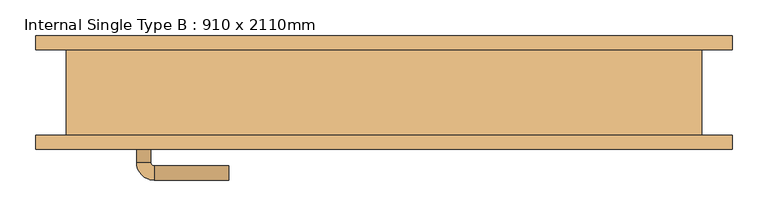
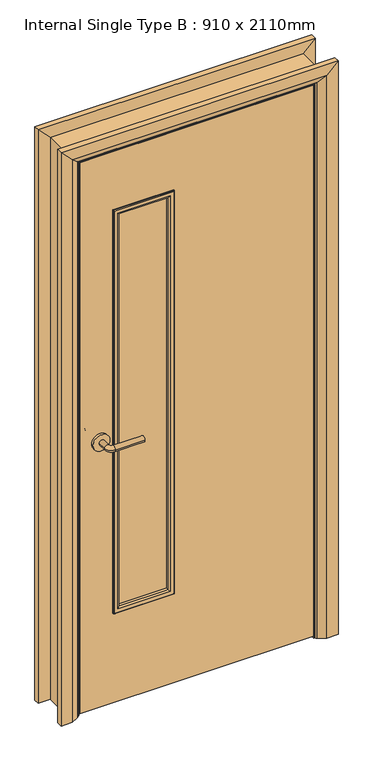
"""IFC4 building model written with IfcOpenShell, lengths in millimetres: door geometry, Internal Single Type B : 910 x 2110mm."""

from ifc_helpers import new_model, si_unit, point, frame, frame_2d, origin, place, context, project, spatial, polyline, circle_curve, ellipse_curve, trimmed, segment, composite_curve, outline, extrude, faceted_brep, source, transform, mapped, element, save
from ifc_brep_helpers import plane_surface, cylinder_surface, revolved_surface, advanced_brep


def internal_single_type_b_910_x_2110mm_6d8ee7a6(model_context):
    return source(origin(), model_context, "Body", "SolidModel", [
        advanced_brep(
        [(-348.0, -14.0, 1000.0), (-328.0, -14.0, 1000.0), (-348.0, 16.0, 1000.0), (-328.0, 16.0, 1000.0), (-323.0, 21.0, 1000.0), (-323.0, 41.0, 1000.0), (-218.0, 41.0, 1000.0), (-218.0, 21.0, 1000.0)],
        [
            (0, 1, circle_curve(frame((-338.0, -14.0, 1000.0), z_axis=(0.0, -1.0, 0.0), x_axis=(1.0, 0.0, 0.0)), 10.0)),
            (1, 0, circle_curve(frame((-338.0, -14.0, 1000.0), z_axis=(0.0, -1.0, 0.0), x_axis=(1.0, 0.0, 0.0)), 10.0)),
            (0, 2),
            (2, 3, circle_curve(frame((-338.0, 16.0, 1000.0), z_axis=(0.0, -1.0, 0.0), x_axis=(1.0, 0.0, 0.0)), 10.0)),
            (3, 1),
            (3, 2, circle_curve(frame((-338.0, 16.0, 1000.0), z_axis=(0.0, -1.0, 0.0), x_axis=(1.0, 0.0, 0.0)), 10.0)),
            (4, 3, circle_curve(frame((-323.0, 16.0, 1000.0), z_axis=(0.0, 0.0, 1.0), x_axis=(-1.0, 0.0, 0.0)), 5.0)),
            (2, 5, circle_curve(frame((-323.0, 16.0, 1000.0), z_axis=(0.0, 0.0, -1.0), x_axis=(-1.0, 0.0, 0.0)), 25.0)),
            (5, 4, circle_curve(frame((-323.0, 31.0, 1000.0), z_axis=(-1.0, 0.0, 0.0), x_axis=(0.0, -1.0, 0.0)), 10.0)),
            (4, 5, circle_curve(frame((-323.0, 31.0, 1000.0), z_axis=(-1.0, 0.0, 0.0), x_axis=(0.0, -1.0, 0.0)), 10.0)),
            (6, 7, circle_curve(frame((-218.0, 31.0, 1000.0), z_axis=(1.0, 0.0, 0.0), x_axis=(0.0, -1.0, 0.0)), 10.0)),
            (7, 6, circle_curve(frame((-218.0, 31.0, 1000.0), z_axis=(1.0, 0.0, 0.0), x_axis=(0.0, -1.0, 0.0)), 10.0)),
            (5, 6),
            (7, 4),
        ],
        [
            plane_surface(frame((-338.0, -14.0, 1000.0), z_axis=(0.0, -1.0, 0.0), x_axis=(0.0, 0.0, 1.0))),
            cylinder_surface(frame((-338.0, -14.0, 1000.0), z_axis=(0.0, -1.0, 0.0), x_axis=(1.0, 0.0, 0.0)), 10.0),
            revolved_surface(trimmed(ellipse_curve(frame((-338.0, 16.0, 1000.0), z_axis=(0.0, -1.0, 0.0), x_axis=(1.0, 0.0, 0.0)), 10.0, 10.0), [point((-348.0, 16.0, 1000.0))], [point((-328.0, 16.0, 1000.0))], True, "CARTESIAN"), (-323.0, 16.0, 1000.0), (0.0, 0.0, -1.0)),
            revolved_surface(trimmed(ellipse_curve(frame((-338.0, 16.0, 1000.0), z_axis=(0.0, -1.0, 0.0), x_axis=(1.0, 0.0, 0.0)), 10.0, 10.0), [point((-328.0, 16.0, 1000.0))], [point((-348.0, 16.0, 1000.0))], True, "CARTESIAN"), (-323.0, 16.0, 1000.0), (0.0, 0.0, -1.0)),
            plane_surface(frame((-218.0, 31.0, 1000.0), z_axis=(1.0, 0.0, 0.0), x_axis=(0.0, 0.0, 1.0))),
            cylinder_surface(frame((-323.0, 31.0, 1000.0), z_axis=(-1.0, 0.0, 0.0), x_axis=(0.0, -1.0, 0.0)), 10.0),
        ],
        [
            (0, [[1, 2]]),
            (1, [[-1, 3, 4, 5]]),
            (1, [[-2, -5, 6, -3]]),
            (2, [[7, -4, 8, 9]]),
            (3, [[-8, -6, -7, 10]]),
            (4, [[11, 12]]),
            (5, [[-9, 13, -12, 14]]),
            (5, [[-10, -14, -11, -13]]),
        ],
    ),
        extrude(outline(composite_curve([segment(trimmed(circle_curve(frame_2d((1000.0, -340.5)), 30.0), [point((1000.0, -370.5))], [point((1000.0, -310.5))], False, "CARTESIAN"), True, "CONTINUOUS"), segment(trimmed(circle_curve(frame_2d((1000.0, -340.5)), 30.0), [point((1000.0, -310.5))], [point((1000.0, -370.5))], False, "CARTESIAN"), True, "CONTINUOUS")], self_intersect=False)), frame((0.0, -22.0, 0.0), z_axis=(0.0, 1.0, 0.0), x_axis=(0.0, 0.0, 1.0)), (0.0, 0.0, 1.0), 8.0),
        advanced_brep(
        [(-348.0, -68.0, 1000.0), (-328.0, -68.0, 1000.0), (-328.0, -98.0, 1000.0), (-348.0, -98.0, 1000.0), (-323.0, -103.0, 1000.0), (-323.0, -123.0, 1000.0), (-218.0, -123.0, 1000.0), (-218.0, -103.0, 1000.0)],
        [
            (0, 1, circle_curve(frame((-338.0, -68.0, 1000.0), z_axis=(0.0, 1.0, 0.0), x_axis=(1.0, 0.0, 0.0)), 10.0)),
            (1, 0, circle_curve(frame((-338.0, -68.0, 1000.0), z_axis=(0.0, 1.0, 0.0), x_axis=(1.0, 0.0, 0.0)), 10.0)),
            (1, 2),
            (2, 3, circle_curve(frame((-338.0, -98.0, 1000.0), z_axis=(0.0, 1.0, 0.0), x_axis=(1.0, 0.0, 0.0)), 10.0)),
            (3, 0),
            (3, 2, circle_curve(frame((-338.0, -98.0, 1000.0), z_axis=(0.0, 1.0, 0.0), x_axis=(1.0, 0.0, 0.0)), 10.0)),
            (4, 5, circle_curve(frame((-323.0, -113.0, 1000.0), z_axis=(-1.0, 0.0, 0.0), x_axis=(0.0, 1.0, 0.0)), 10.0)),
            (5, 3, circle_curve(frame((-323.0, -98.0, 1000.0), z_axis=(0.0, 0.0, -1.0), x_axis=(-1.0, 0.0, 0.0)), 25.0)),
            (2, 4, circle_curve(frame((-323.0, -98.0, 1000.0), z_axis=(0.0, 0.0, 1.0), x_axis=(-1.0, 0.0, 0.0)), 5.0)),
            (5, 4, circle_curve(frame((-323.0, -113.0, 1000.0), z_axis=(-1.0, 0.0, 0.0), x_axis=(0.0, 1.0, 0.0)), 10.0)),
            (6, 7, circle_curve(frame((-218.0, -113.0, 1000.0), z_axis=(1.0, 0.0, 0.0), x_axis=(0.0, 1.0, 0.0)), 10.0)),
            (7, 6, circle_curve(frame((-218.0, -113.0, 1000.0), z_axis=(1.0, 0.0, 0.0), x_axis=(0.0, 1.0, 0.0)), 10.0)),
            (4, 7),
            (6, 5),
        ],
        [
            plane_surface(frame((-338.0, -68.0, 1000.0), z_axis=(0.0, 1.0, 0.0), x_axis=(0.0, 0.0, 1.0))),
            cylinder_surface(frame((-338.0, -68.0, 1000.0), z_axis=(0.0, 1.0, 0.0), x_axis=(1.0, 0.0, 0.0)), 10.0),
            revolved_surface(trimmed(ellipse_curve(frame((-338.0, -98.0, 1000.0), z_axis=(0.0, -1.0, 0.0), x_axis=(1.0, 0.0, 0.0)), 10.0, 10.0), [point((-348.0, -98.0, 1000.0))], [point((-328.0, -98.0, 1000.0))], True, "CARTESIAN"), (-323.0, -98.0, 1000.0), (0.0, 0.0, -1.0)),
            revolved_surface(trimmed(ellipse_curve(frame((-338.0, -98.0, 1000.0), z_axis=(0.0, -1.0, 0.0), x_axis=(1.0, 0.0, 0.0)), 10.0, 10.0), [point((-328.0, -98.0, 1000.0))], [point((-348.0, -98.0, 1000.0))], True, "CARTESIAN"), (-323.0, -98.0, 1000.0), (0.0, 0.0, -1.0)),
            plane_surface(frame((-218.0, -113.0, 1000.0), z_axis=(1.0, 0.0, 0.0), x_axis=(0.0, 0.0, 1.0))),
            cylinder_surface(frame((-323.0, -113.0, 1000.0), z_axis=(-1.0, 0.0, 0.0), x_axis=(0.0, 1.0, 0.0)), 10.0),
        ],
        [
            (0, [[1, 2]]),
            (1, [[3, 4, 5, -2]]),
            (1, [[-5, 6, -3, -1]]),
            (2, [[7, 8, -4, 9]]),
            (3, [[10, -9, -6, -8]]),
            (4, [[11, 12]]),
            (5, [[13, -11, 14, -7]]),
            (5, [[-14, -12, -13, -10]]),
        ],
    ),
        extrude(outline(composite_curve([segment(trimmed(circle_curve(frame_2d((1000.0, -340.5)), 30.0), [point((1000.0, -370.5))], [point((1000.0, -310.5))], False, "CARTESIAN"), True, "CONTINUOUS"), segment(trimmed(circle_curve(frame_2d((1000.0, -340.5)), 30.0), [point((1000.0, -310.5))], [point((1000.0, -370.5))], False, "CARTESIAN"), True, "CONTINUOUS")], self_intersect=False)), frame((0.0, -68.0, 0.0), z_axis=(0.0, 1.0, 0.0), x_axis=(0.0, 0.0, 1.0)), (0.0, 0.0, 1.0), 8.0),
        extrude(outline(polyline([(2068.0, -413.0), (8.0, -413.0), (8.0, 413.0), (2068.0, 413.0), (2068.0, -413.0)]), holes=[polyline([(1843.0, -88.0), (350.0, -88.0), (350.0, -288.0), (1843.0, -288.0), (1843.0, -88.0)])]), frame((0.0, -60.0, 0.0), z_axis=(0.0, 1.0, 0.0), x_axis=(0.0, 0.0, 1.0)), (0.0, 0.0, 1.0), 38.0),
        extrude(outline(polyline([(0.0, -396.0), (2051.0, -396.0), (2051.0, 396.0), (0.0, 396.0), (0.0, 415.0), (2070.0, 415.0), (2070.0, -415.0), (0.0, -415.0), (0.0, -396.0)])), frame((0.0, -20.0, 0.0), z_axis=(0.0, 1.0, 0.0), x_axis=(0.0, 0.0, 1.0)), (0.0, 0.0, 1.0), 32.0),
        advanced_brep(
        [(-490.0, -80.0, 0.0), (-490.0, -60.0, 0.0), (-420.0, -60.0, 0.0), (-424.0, -66.0, 0.0), (-450.0, -80.0, 0.0), (-450.0, -80.0, 2105.0), (-490.0, -80.0, 2145.0), (-424.0, -66.0, 2079.0), (-420.0, -60.0, 2075.0), (-490.0, -60.0, 2145.0), (450.0, -80.0, 2105.0), (490.0, -80.0, 2145.0), (424.0, -66.0, 2079.0), (420.0, -60.0, 2075.0), (490.0, -60.0, 2145.0), (490.0, -80.0, 0.0), (450.0, -80.0, 0.0), (424.0, -66.0, 0.0), (420.0, -60.0, 0.0), (490.0, -60.0, 0.0)],
        [
            (0, 1),
            (1, 2),
            (2, 3, circle_curve(frame((-428.0, -59.0, 0.0), z_axis=(0.0, 0.0, -1.0), x_axis=(-1.0, 0.0, 0.0)), 8.0622577)),
            (3, 4),
            (4, 0),
            (4, 5),
            (5, 6),
            (6, 0),
            (3, 7),
            (7, 5),
            (2, 8),
            (8, 7, ellipse_curve(frame((-428.0, -59.0, 2083.0), z_axis=(-0.7071067811865475, 0.0, -0.7071067811865475), x_axis=(0.7071067811865474, 0.0, -0.7071067811865476)), 11.4017543, 8.0622577)),
            (1, 9),
            (9, 8),
            (6, 9),
            (5, 10),
            (10, 11),
            (11, 6),
            (7, 12),
            (12, 10),
            (8, 13),
            (13, 12, ellipse_curve(frame((428.0, -59.0, 2083.0), z_axis=(-0.7071067811865475, 0.0, 0.7071067811865475), x_axis=(-0.7071067811865476, 0.0, -0.7071067811865474)), 11.4017543, 8.0622577)),
            (9, 14),
            (14, 13),
            (11, 14),
            (15, 16),
            (16, 17),
            (17, 18, circle_curve(frame((428.0, -59.0, 0.0), z_axis=(0.0, 0.0, -1.0), x_axis=(1.0, 0.0, 0.0)), 8.0622577)),
            (18, 19),
            (19, 15),
            (10, 16),
            (15, 11),
            (12, 17),
            (13, 18),
            (14, 19),
        ],
        [
            plane_surface(frame((-420.0, 12.8010989, 0.0), z_axis=(0.0, 0.0, -1.0), x_axis=(1.0, 0.0, 0.0))),
            plane_surface(frame((-490.0, -80.0, 0.0), z_axis=(0.0, -1.0, 0.0), x_axis=(0.0, 0.0, 1.0))),
            plane_surface(frame((-450.0, -80.0, 0.0), z_axis=(0.4740998230350183, -0.8804710999221749, 0.0), x_axis=(0.0, 0.0, 1.0))),
            cylinder_surface(frame((-428.0, -59.0, 0.0), z_axis=(0.0, 0.0, -1.0), x_axis=(-1.0, 0.0, 0.0)), 8.0622577),
            plane_surface(frame((-420.0, -60.0, 0.0), z_axis=(0.0, 1.0, 0.0), x_axis=(0.0, 0.0, 1.0))),
            plane_surface(frame((-490.0, -60.0, 0.0), z_axis=(-1.0, 0.0, 0.0), x_axis=(0.0, 0.0, 1.0))),
            plane_surface(frame((-490.0, -80.0, 2145.0), z_axis=(0.0, -1.0, 0.0), x_axis=(1.0, 0.0, 0.0))),
            plane_surface(frame((-450.0, -80.0, 2105.0), z_axis=(0.0, -0.8804710999221749, -0.4740998230350183), x_axis=(1.0, 0.0, 0.0))),
            cylinder_surface(frame((-420.0, -59.0, 2083.0), z_axis=(-1.0, 0.0, 0.0), x_axis=(0.0, 0.0, 1.0)), 8.0622577),
            plane_surface(frame((-420.0, -60.0, 2075.0), z_axis=(0.0, 1.0, 0.0), x_axis=(1.0, 0.0, 0.0))),
            plane_surface(frame((-490.0, -60.0, 2145.0), z_axis=(0.0, 0.0, 1.0), x_axis=(1.0, 0.0, 0.0))),
            plane_surface(frame((420.0, 12.8010989, 0.0), z_axis=(0.0, 0.0, -1.0), x_axis=(-1.0, 0.0, 0.0))),
            plane_surface(frame((490.0, -80.0, 2145.0), z_axis=(0.0, -1.0, 0.0), x_axis=(0.0, 0.0, -1.0))),
            plane_surface(frame((450.0, -80.0, 2105.0), z_axis=(-0.4740998230350183, -0.8804710999221749, 0.0), x_axis=(0.0, 0.0, -1.0))),
            cylinder_surface(frame((428.0, -59.0, 2075.0), z_axis=(0.0, 0.0, 1.0), x_axis=(1.0, 0.0, 0.0)), 8.0622577),
            plane_surface(frame((420.0, -60.0, 2075.0), z_axis=(0.0, 1.0, 0.0), x_axis=(0.0, 0.0, -1.0))),
            plane_surface(frame((490.0, -60.0, 2145.0), z_axis=(1.0, 0.0, 0.0), x_axis=(0.0, 0.0, -1.0))),
        ],
        [
            (0, [[1, 2, 3, 4, 5]]),
            (1, [[6, 7, 8, -5]]),
            (2, [[9, 10, -6, -4]]),
            (3, [[11, 12, -9, -3]]),
            (4, [[13, 14, -11, -2]]),
            (5, [[-8, 15, -13, -1]]),
            (6, [[16, 17, 18, -7]]),
            (7, [[19, 20, -16, -10]]),
            (8, [[21, 22, -19, -12]]),
            (9, [[23, 24, -21, -14]]),
            (10, [[-18, 25, -23, -15]]),
            (11, [[26, 27, 28, 29, 30]]),
            (12, [[31, -26, 32, -17]]),
            (13, [[33, -27, -31, -20]]),
            (14, [[34, -28, -33, -22]]),
            (15, [[35, -29, -34, -24]]),
            (16, [[-32, -30, -35, -25]]),
        ],
    ),
        advanced_brep(
        [(-490.0, 80.0, 0.0), (-450.0, 80.0, 0.0), (-424.0, 66.0, 0.0), (-420.0, 60.0, 0.0), (-490.0, 60.0, 0.0), (-490.0, 60.0, 2145.0), (-490.0, 80.0, 2145.0), (-420.0, 60.0, 2075.0), (-424.0, 66.0, 2079.0), (-450.0, 80.0, 2105.0), (490.0, 60.0, 2145.0), (490.0, 80.0, 2145.0), (420.0, 60.0, 2075.0), (424.0, 66.0, 2079.0), (450.0, 80.0, 2105.0), (490.0, 80.0, 0.0), (490.0, 60.0, 0.0), (420.0, 60.0, 0.0), (424.0, 66.0, 0.0), (450.0, 80.0, 0.0)],
        [
            (0, 1),
            (1, 2),
            (2, 3, circle_curve(frame((-428.0, 59.0, 0.0), z_axis=(0.0, 0.0, -1.0), x_axis=(-1.0, 0.0, 0.0)), 8.0622577)),
            (3, 4),
            (4, 0),
            (4, 5),
            (5, 6),
            (6, 0),
            (3, 7),
            (7, 5),
            (2, 8),
            (8, 7, ellipse_curve(frame((-428.0, 59.0, 2083.0), z_axis=(-0.7071067811865475, 0.0, -0.7071067811865475), x_axis=(0.7071067811865474, 0.0, -0.7071067811865476)), 11.4017543, 8.0622577)),
            (1, 9),
            (9, 8),
            (6, 9),
            (5, 10),
            (10, 11),
            (11, 6),
            (7, 12),
            (12, 10),
            (8, 13),
            (13, 12, ellipse_curve(frame((428.0, 59.0, 2083.0), z_axis=(-0.7071067811865475, 0.0, 0.7071067811865475), x_axis=(-0.7071067811865476, 0.0, -0.7071067811865474)), 11.4017543, 8.0622577)),
            (9, 14),
            (14, 13),
            (11, 14),
            (15, 16),
            (16, 17),
            (17, 18, circle_curve(frame((428.0, 59.0, 0.0), z_axis=(0.0, 0.0, -1.0), x_axis=(1.0, 0.0, 0.0)), 8.0622577)),
            (18, 19),
            (19, 15),
            (10, 16),
            (15, 11),
            (12, 17),
            (13, 18),
            (14, 19),
        ],
        [
            plane_surface(frame((-420.0, 132.8010989, 0.0), z_axis=(0.0, 0.0, -1.0), x_axis=(1.0, 0.0, 0.0))),
            plane_surface(frame((-490.0, 80.0, 0.0), z_axis=(-1.0, 0.0, 0.0), x_axis=(0.0, 0.0, 1.0))),
            plane_surface(frame((-490.0, 60.0, 0.0), z_axis=(0.0, -1.0, 0.0), x_axis=(0.0, 0.0, 1.0))),
            cylinder_surface(frame((-428.0, 59.0, 0.0), z_axis=(0.0, 0.0, -1.0), x_axis=(-1.0, 0.0, 0.0)), 8.0622577),
            plane_surface(frame((-424.0, 66.0, 0.0), z_axis=(0.4740998230350183, 0.8804710999221749, 0.0), x_axis=(0.0, 0.0, 1.0))),
            plane_surface(frame((-450.0, 80.0, 0.0), z_axis=(0.0, 1.0, 0.0), x_axis=(0.0, 0.0, 1.0))),
            plane_surface(frame((-490.0, 80.0, 2145.0), z_axis=(0.0, 0.0, 1.0), x_axis=(1.0, 0.0, 0.0))),
            plane_surface(frame((-490.0, 60.0, 2145.0), z_axis=(0.0, -1.0, 0.0), x_axis=(1.0, 0.0, 0.0))),
            cylinder_surface(frame((-420.0, 59.0, 2083.0), z_axis=(-1.0, 0.0, 0.0), x_axis=(0.0, 0.0, 1.0)), 8.0622577),
            plane_surface(frame((-424.0, 66.0, 2079.0), z_axis=(0.0, 0.8804710999221749, -0.4740998230350183), x_axis=(1.0, 0.0, 0.0))),
            plane_surface(frame((-450.0, 80.0, 2105.0), z_axis=(0.0, 1.0, 0.0), x_axis=(1.0, 0.0, 0.0))),
            plane_surface(frame((420.0, 132.8010989, 0.0), z_axis=(0.0, 0.0, -1.0), x_axis=(-1.0, 0.0, 0.0))),
            plane_surface(frame((490.0, 80.0, 2145.0), z_axis=(1.0, 0.0, 0.0), x_axis=(0.0, 0.0, -1.0))),
            plane_surface(frame((490.0, 60.0, 2145.0), z_axis=(0.0, -1.0, 0.0), x_axis=(0.0, 0.0, -1.0))),
            cylinder_surface(frame((428.0, 59.0, 2075.0), z_axis=(0.0, 0.0, 1.0), x_axis=(1.0, 0.0, 0.0)), 8.0622577),
            plane_surface(frame((424.0, 66.0, 2079.0), z_axis=(-0.4740998230350183, 0.8804710999221749, 0.0), x_axis=(0.0, 0.0, -1.0))),
            plane_surface(frame((450.0, 80.0, 2105.0), z_axis=(0.0, 1.0, 0.0), x_axis=(0.0, 0.0, -1.0))),
        ],
        [
            (0, [[1, 2, 3, 4, 5]]),
            (1, [[6, 7, 8, -5]]),
            (2, [[9, 10, -6, -4]]),
            (3, [[11, 12, -9, -3]]),
            (4, [[13, 14, -11, -2]]),
            (5, [[-8, 15, -13, -1]]),
            (6, [[16, 17, 18, -7]]),
            (7, [[19, 20, -16, -10]]),
            (8, [[21, 22, -19, -12]]),
            (9, [[23, 24, -21, -14]]),
            (10, [[-18, 25, -23, -15]]),
            (11, [[26, 27, 28, 29, 30]]),
            (12, [[31, -26, 32, -17]]),
            (13, [[33, -27, -31, -20]]),
            (14, [[34, -28, -33, -22]]),
            (15, [[35, -29, -34, -24]]),
            (16, [[-32, -30, -35, -25]]),
        ],
    ),
        faceted_brep([(-415.0, -60.0, 0.0), (-447.0, -60.0, 0.0), (-447.0, 60.0, 0.0), (-415.0, 60.0, 0.0), (-415.0, 60.0, 2070.0), (-415.0, -60.0, 2070.0), (-447.0, 60.0, 2102.0), (-447.0, -60.0, 2102.0), (415.0, 60.0, 2070.0), (415.0, -60.0, 2070.0), (447.0, 60.0, 2102.0), (447.0, -60.0, 2102.0), (415.0, -60.0, 0.0), (415.0, 60.0, 0.0), (447.0, 60.0, 0.0), (447.0, -60.0, 0.0)], [[[0, 1, 2, 3]], [[3, 4, 5, 0]], [[2, 6, 4, 3]], [[1, 7, 6, 2]], [[0, 5, 7, 1]], [[4, 8, 9, 5]], [[6, 10, 8, 4]], [[7, 11, 10, 6]], [[5, 9, 11, 7]], [[12, 13, 14, 15]], [[8, 13, 12, 9]], [[10, 14, 13, 8]], [[11, 15, 14, 10]], [[9, 12, 15, 11]]]),
        extrude(outline(polyline([(-288.0, -50.0), (-288.0, -32.0), (-88.0, -32.0), (-88.0, -50.0), (-288.0, -50.0)])), frame((0.0, 0.0, 350.0), z_axis=(0.0, 0.0, 1.0), x_axis=(1.0, 0.0, 0.0)), (0.0, 0.0, 1.0), 1493.0),
        advanced_brep(
        [(-88.0, -32.0, 1843.0), (-88.0, -32.0, 350.0), (-88.0, -22.0, 350.0), (-88.0, -22.0, 1843.0), (-100.0, -21.0, 1831.0), (-100.0, -21.0, 362.0), (-100.0, -32.0, 362.0), (-100.0, -32.0, 1831.0), (-95.0, -16.0, 1836.0), (-95.0, -16.0, 357.0), (-80.0, -18.0, 1851.0), (-80.0, -18.0, 342.0), (-82.0, -16.0, 344.0), (-82.0, -16.0, 1849.0), (-80.0, -22.0, 1851.0), (-80.0, -22.0, 342.0), (-288.0, -32.0, 350.0), (-288.0, -22.0, 350.0), (-276.0, -21.0, 362.0), (-276.0, -32.0, 362.0), (-281.0, -16.0, 357.0), (-296.0, -18.0, 342.0), (-294.0, -16.0, 344.0), (-296.0, -22.0, 342.0), (-288.0, -32.0, 1843.0), (-288.0, -22.0, 1843.0), (-276.0, -21.0, 1831.0), (-276.0, -32.0, 1831.0), (-281.0, -16.0, 1836.0), (-296.0, -18.0, 1851.0), (-294.0, -16.0, 1849.0), (-296.0, -22.0, 1851.0)],
        [
            (0, 1),
            (1, 2),
            (2, 3),
            (3, 0),
            (4, 5),
            (5, 6),
            (6, 7),
            (7, 4),
            (8, 9),
            (9, 5, ellipse_curve(frame((-95.0, -21.0, 357.0), z_axis=(0.7071067811865475, 0.0, 0.7071067811865475), x_axis=(-0.7071067811865474, 0.0, 0.7071067811865476)), 7.0710678, 5.0)),
            (4, 8, ellipse_curve(frame((-95.0, -21.0, 1836.0), z_axis=(0.7071067811865475, 0.0, -0.7071067811865475), x_axis=(0.7071067811865474, 0.0, 0.7071067811865476)), 7.0710678, 5.0)),
            (10, 11),
            (11, 12, ellipse_curve(frame((-82.0, -18.0, 344.0), z_axis=(0.7071067811865475, 0.0, 0.7071067811865475), x_axis=(-0.7071067811865474, 0.0, 0.7071067811865476)), 2.8284271, 2.0)),
            (12, 13),
            (13, 10, ellipse_curve(frame((-82.0, -18.0, 1849.0), z_axis=(0.7071067811865475, 0.0, -0.7071067811865475), x_axis=(0.7071067811865474, 0.0, 0.7071067811865476)), 2.8284271, 2.0)),
            (14, 15),
            (15, 11),
            (10, 14),
            (1, 16),
            (16, 17),
            (17, 2),
            (5, 18),
            (18, 19),
            (19, 6),
            (9, 20),
            (20, 18, ellipse_curve(frame((-281.0, -21.0, 357.0), z_axis=(0.7071067811865475, 0.0, -0.7071067811865475), x_axis=(0.7071067811865476, 0.0, 0.7071067811865474)), 7.0710678, 5.0)),
            (11, 21),
            (21, 22, ellipse_curve(frame((-294.0, -18.0, 344.0), z_axis=(0.7071067811865475, 0.0, -0.7071067811865475), x_axis=(0.7071067811865476, 0.0, 0.7071067811865474)), 2.8284271, 2.0)),
            (22, 12),
            (15, 23),
            (23, 21),
            (16, 24),
            (24, 25),
            (25, 17),
            (18, 26),
            (26, 27),
            (27, 19),
            (20, 28),
            (28, 26, ellipse_curve(frame((-281.0, -21.0, 1836.0), z_axis=(-0.7071067811865475, 0.0, -0.7071067811865475), x_axis=(0.7071067811865474, 0.0, -0.7071067811865476)), 7.0710678, 5.0)),
            (21, 29),
            (29, 30, ellipse_curve(frame((-294.0, -18.0, 1849.0), z_axis=(-0.7071067811865475, 0.0, -0.7071067811865475), x_axis=(0.7071067811865474, 0.0, -0.7071067811865476)), 2.8284271, 2.0)),
            (30, 22),
            (23, 31),
            (31, 29),
            (14, 31),
            (25, 3),
            (24, 0),
            (27, 7),
            (26, 4),
            (28, 8),
            (30, 13),
            (29, 10),
        ],
        [
            plane_surface(frame((-88.0, -22.0, 1843.0), z_axis=(1.0, 0.0, 0.0), x_axis=(0.0, 0.0, -1.0))),
            plane_surface(frame((-100.0, -32.0, 1831.0), z_axis=(-1.0, 0.0, 0.0), x_axis=(0.0, 0.0, -1.0))),
            cylinder_surface(frame((-95.0, -21.0, 1843.0), z_axis=(0.0, 0.0, 1.0), x_axis=(1.0, 0.0, 0.0)), 5.0),
            cylinder_surface(frame((-82.0, -18.0, 1843.0), z_axis=(0.0, 0.0, 1.0), x_axis=(1.0, 0.0, 0.0)), 2.0),
            plane_surface(frame((-80.0, -18.0, 1851.0), z_axis=(1.0, 0.0, 0.0), x_axis=(0.0, 0.0, -1.0))),
            plane_surface(frame((-88.0, -22.0, 350.0), z_axis=(0.0, 0.0, -1.0), x_axis=(-1.0, 0.0, 0.0))),
            plane_surface(frame((-100.0, -32.0, 362.0), z_axis=(0.0, 0.0, 1.0), x_axis=(-1.0, 0.0, 0.0))),
            cylinder_surface(frame((-88.0, -21.0, 357.0), z_axis=(1.0, 0.0, 0.0), x_axis=(0.0, 0.0, -1.0)), 5.0),
            cylinder_surface(frame((-88.0, -18.0, 344.0), z_axis=(1.0, 0.0, 0.0), x_axis=(0.0, 0.0, -1.0)), 2.0),
            plane_surface(frame((-80.0, -18.0, 342.0), z_axis=(0.0, 0.0, -1.0), x_axis=(-1.0, 0.0, 0.0))),
            plane_surface(frame((-288.0, -22.0, 350.0), z_axis=(-1.0, 0.0, 0.0), x_axis=(0.0, 0.0, 1.0))),
            plane_surface(frame((-276.0, -32.0, 362.0), z_axis=(1.0, 0.0, 0.0), x_axis=(0.0, 0.0, 1.0))),
            cylinder_surface(frame((-281.0, -21.0, 350.0), z_axis=(0.0, 0.0, -1.0), x_axis=(-1.0, 0.0, 0.0)), 5.0),
            cylinder_surface(frame((-294.0, -18.0, 350.0), z_axis=(0.0, 0.0, -1.0), x_axis=(-1.0, 0.0, 0.0)), 2.0),
            plane_surface(frame((-296.0, -18.0, 342.0), z_axis=(-1.0, 0.0, 0.0), x_axis=(0.0, 0.0, 1.0))),
            plane_surface(frame((-296.0, -22.0, 1851.0), z_axis=(0.0, -1.0, 0.0), x_axis=(1.0, 0.0, 0.0))),
            plane_surface(frame((-288.0, -22.0, 1843.0), z_axis=(0.0, 0.0, 1.0), x_axis=(1.0, 0.0, 0.0))),
            plane_surface(frame((-288.0, -32.0, 1843.0), z_axis=(0.0, -1.0, 0.0), x_axis=(1.0, 0.0, 0.0))),
            plane_surface(frame((-276.0, -32.0, 1831.0), z_axis=(0.0, 0.0, -1.0), x_axis=(1.0, 0.0, 0.0))),
            cylinder_surface(frame((-288.0, -21.0, 1836.0), z_axis=(-1.0, 0.0, 0.0), x_axis=(0.0, 0.0, 1.0)), 5.0),
            plane_surface(frame((-281.0, -16.0, 1836.0), z_axis=(0.0, 1.0, 0.0), x_axis=(1.0, 0.0, 0.0))),
            cylinder_surface(frame((-288.0, -18.0, 1849.0), z_axis=(-1.0, 0.0, 0.0), x_axis=(0.0, 0.0, 1.0)), 2.0),
            plane_surface(frame((-296.0, -18.0, 1851.0), z_axis=(0.0, 0.0, 1.0), x_axis=(1.0, 0.0, 0.0))),
        ],
        [
            (0, [[1, 2, 3, 4]]),
            (1, [[5, 6, 7, 8]]),
            (2, [[9, 10, -5, 11]]),
            (3, [[12, 13, 14, 15]]),
            (4, [[16, 17, -12, 18]]),
            (5, [[19, 20, 21, -2]]),
            (6, [[22, 23, 24, -6]]),
            (7, [[25, 26, -22, -10]]),
            (8, [[27, 28, 29, -13]]),
            (9, [[30, 31, -27, -17]]),
            (10, [[32, 33, 34, -20]]),
            (11, [[35, 36, 37, -23]]),
            (12, [[38, 39, -35, -26]]),
            (13, [[40, 41, 42, -28]]),
            (14, [[43, 44, -40, -31]]),
            (15, [[-16, 45, -43, -30], [-3, -21, -34, 46]]),
            (16, [[47, -4, -46, -33]]),
            (17, [[-1, -47, -32, -19], [-7, -24, -37, 48]]),
            (18, [[49, -8, -48, -36]]),
            (19, [[50, -11, -49, -39]]),
            (20, [[-14, -29, -42, 51], [-9, -50, -38, -25]]),
            (21, [[52, -15, -51, -41]]),
            (22, [[-45, -18, -52, -44]]),
        ],
    ),
        advanced_brep(
        [(-80.0, -64.0, 1851.0), (-80.0, -64.0, 342.0), (-80.0, -60.0, 342.0), (-80.0, -60.0, 1851.0), (-82.0, -66.0, 1849.0), (-82.0, -66.0, 344.0), (-100.0, -61.0, 1831.0), (-100.0, -61.0, 362.0), (-95.0, -66.0, 357.0), (-95.0, -66.0, 1836.0), (-100.0, -50.0, 1831.0), (-100.0, -50.0, 362.0), (-88.0, -60.0, 1843.0), (-88.0, -60.0, 350.0), (-88.0, -50.0, 350.0), (-88.0, -50.0, 1843.0), (-296.0, -64.0, 342.0), (-296.0, -60.0, 342.0), (-294.0, -66.0, 344.0), (-276.0, -61.0, 362.0), (-281.0, -66.0, 357.0), (-276.0, -50.0, 362.0), (-288.0, -60.0, 350.0), (-288.0, -50.0, 350.0), (-296.0, -64.0, 1851.0), (-296.0, -60.0, 1851.0), (-294.0, -66.0, 1849.0), (-276.0, -61.0, 1831.0), (-281.0, -66.0, 1836.0), (-276.0, -50.0, 1831.0), (-288.0, -60.0, 1843.0), (-288.0, -50.0, 1843.0)],
        [
            (0, 1),
            (1, 2),
            (2, 3),
            (3, 0),
            (4, 5),
            (5, 1, ellipse_curve(frame((-82.0, -64.0, 344.0), z_axis=(0.7071067811865475, 0.0, 0.7071067811865475), x_axis=(-0.7071067811865474, 0.0, 0.7071067811865476)), 2.8284271, 2.0)),
            (0, 4, ellipse_curve(frame((-82.0, -64.0, 1849.0), z_axis=(0.7071067811865475, 0.0, -0.7071067811865475), x_axis=(0.7071067811865474, 0.0, 0.7071067811865476)), 2.8284271, 2.0)),
            (6, 7),
            (7, 8, ellipse_curve(frame((-95.0, -61.0, 357.0), z_axis=(0.7071067811865475, 0.0, 0.7071067811865475), x_axis=(-0.7071067811865474, 0.0, 0.7071067811865476)), 7.0710678, 5.0)),
            (8, 9),
            (9, 6, ellipse_curve(frame((-95.0, -61.0, 1836.0), z_axis=(0.7071067811865475, 0.0, -0.7071067811865475), x_axis=(0.7071067811865474, 0.0, 0.7071067811865476)), 7.0710678, 5.0)),
            (10, 11),
            (11, 7),
            (6, 10),
            (12, 13),
            (13, 14),
            (14, 15),
            (15, 12),
            (1, 16),
            (16, 17),
            (17, 2),
            (5, 18),
            (18, 16, ellipse_curve(frame((-294.0, -64.0, 344.0), z_axis=(0.7071067811865475, 0.0, -0.7071067811865475), x_axis=(0.7071067811865476, 0.0, 0.7071067811865474)), 2.8284271, 2.0)),
            (7, 19),
            (19, 20, ellipse_curve(frame((-281.0, -61.0, 357.0), z_axis=(0.7071067811865475, 0.0, -0.7071067811865475), x_axis=(0.7071067811865476, 0.0, 0.7071067811865474)), 7.0710678, 5.0)),
            (20, 8),
            (11, 21),
            (21, 19),
            (13, 22),
            (22, 23),
            (23, 14),
            (16, 24),
            (24, 25),
            (25, 17),
            (18, 26),
            (26, 24, ellipse_curve(frame((-294.0, -64.0, 1849.0), z_axis=(-0.7071067811865475, 0.0, -0.7071067811865475), x_axis=(0.7071067811865474, 0.0, -0.7071067811865476)), 2.8284271, 2.0)),
            (19, 27),
            (27, 28, ellipse_curve(frame((-281.0, -61.0, 1836.0), z_axis=(-0.7071067811865475, 0.0, -0.7071067811865475), x_axis=(0.7071067811865474, 0.0, -0.7071067811865476)), 7.0710678, 5.0)),
            (28, 20),
            (21, 29),
            (29, 27),
            (22, 30),
            (30, 31),
            (31, 23),
            (24, 0),
            (3, 25),
            (26, 4),
            (28, 9),
            (27, 6),
            (29, 10),
            (31, 15),
            (30, 12),
        ],
        [
            plane_surface(frame((-80.0, -60.0, 1851.0), z_axis=(1.0, 0.0, 0.0), x_axis=(0.0, 0.0, -1.0))),
            cylinder_surface(frame((-82.0, -64.0, 1843.0), z_axis=(0.0, 0.0, 1.0), x_axis=(1.0, 0.0, 0.0)), 2.0),
            cylinder_surface(frame((-95.0, -61.0, 1843.0), z_axis=(0.0, 0.0, 1.0), x_axis=(1.0, 0.0, 0.0)), 5.0),
            plane_surface(frame((-100.0, -61.0, 1831.0), z_axis=(-1.0, 0.0, 0.0), x_axis=(0.0, 0.0, -1.0))),
            plane_surface(frame((-88.0, -50.0, 1843.0), z_axis=(1.0, 0.0, 0.0), x_axis=(0.0, 0.0, -1.0))),
            plane_surface(frame((-80.0, -60.0, 342.0), z_axis=(0.0, 0.0, -1.0), x_axis=(-1.0, 0.0, 0.0))),
            cylinder_surface(frame((-88.0, -64.0, 344.0), z_axis=(1.0, 0.0, 0.0), x_axis=(0.0, 0.0, -1.0)), 2.0),
            cylinder_surface(frame((-88.0, -61.0, 357.0), z_axis=(1.0, 0.0, 0.0), x_axis=(0.0, 0.0, -1.0)), 5.0),
            plane_surface(frame((-100.0, -61.0, 362.0), z_axis=(0.0, 0.0, 1.0), x_axis=(-1.0, 0.0, 0.0))),
            plane_surface(frame((-88.0, -50.0, 350.0), z_axis=(0.0, 0.0, -1.0), x_axis=(-1.0, 0.0, 0.0))),
            plane_surface(frame((-296.0, -60.0, 342.0), z_axis=(-1.0, 0.0, 0.0), x_axis=(0.0, 0.0, 1.0))),
            cylinder_surface(frame((-294.0, -64.0, 350.0), z_axis=(0.0, 0.0, -1.0), x_axis=(-1.0, 0.0, 0.0)), 2.0),
            cylinder_surface(frame((-281.0, -61.0, 350.0), z_axis=(0.0, 0.0, -1.0), x_axis=(-1.0, 0.0, 0.0)), 5.0),
            plane_surface(frame((-276.0, -61.0, 362.0), z_axis=(1.0, 0.0, 0.0), x_axis=(0.0, 0.0, 1.0))),
            plane_surface(frame((-288.0, -50.0, 350.0), z_axis=(-1.0, 0.0, 0.0), x_axis=(0.0, 0.0, 1.0))),
            plane_surface(frame((-296.0, -60.0, 1851.0), z_axis=(0.0, 0.0, 1.0), x_axis=(1.0, 0.0, 0.0))),
            cylinder_surface(frame((-288.0, -64.0, 1849.0), z_axis=(-1.0, 0.0, 0.0), x_axis=(0.0, 0.0, 1.0)), 2.0),
            plane_surface(frame((-294.0, -66.0, 1849.0), z_axis=(0.0, -1.0, 0.0), x_axis=(1.0, 0.0, 0.0))),
            cylinder_surface(frame((-288.0, -61.0, 1836.0), z_axis=(-1.0, 0.0, 0.0), x_axis=(0.0, 0.0, 1.0)), 5.0),
            plane_surface(frame((-276.0, -61.0, 1831.0), z_axis=(0.0, 0.0, -1.0), x_axis=(1.0, 0.0, 0.0))),
            plane_surface(frame((-276.0, -50.0, 1831.0), z_axis=(0.0, 1.0, 0.0), x_axis=(1.0, 0.0, 0.0))),
            plane_surface(frame((-288.0, -50.0, 1843.0), z_axis=(0.0, 0.0, 1.0), x_axis=(1.0, 0.0, 0.0))),
            plane_surface(frame((-288.0, -60.0, 1843.0), z_axis=(0.0, 1.0, 0.0), x_axis=(1.0, 0.0, 0.0))),
        ],
        [
            (0, [[1, 2, 3, 4]]),
            (1, [[5, 6, -1, 7]]),
            (2, [[8, 9, 10, 11]]),
            (3, [[12, 13, -8, 14]]),
            (4, [[15, 16, 17, 18]]),
            (5, [[19, 20, 21, -2]]),
            (6, [[22, 23, -19, -6]]),
            (7, [[24, 25, 26, -9]]),
            (8, [[27, 28, -24, -13]]),
            (9, [[29, 30, 31, -16]]),
            (10, [[32, 33, 34, -20]]),
            (11, [[35, 36, -32, -23]]),
            (12, [[37, 38, 39, -25]]),
            (13, [[40, 41, -37, -28]]),
            (14, [[42, 43, 44, -30]]),
            (15, [[45, -4, 46, -33]]),
            (16, [[47, -7, -45, -36]]),
            (17, [[-5, -47, -35, -22], [-10, -26, -39, 48]]),
            (18, [[49, -11, -48, -38]]),
            (19, [[50, -14, -49, -41]]),
            (20, [[-17, -31, -44, 51], [-12, -50, -40, -27]]),
            (21, [[52, -18, -51, -43]]),
            (22, [[-3, -21, -34, -46], [-15, -52, -42, -29]]),
        ],
    ),
    ])


if __name__ == "__main__":
    model = new_model("IFC4")
    model_context = context("Model", 3, world=origin())
    ifc_project = project(units=[si_unit("LENGTHUNIT", "METRE", prefix="MILLI")], contexts=[model_context])
    site = spatial("IfcSite", under=ifc_project)
    building = spatial("IfcBuilding", under=site)
    placement = place(None, origin())
    internal_single_type_b_910_x_2110mm_shape = internal_single_type_b_910_x_2110mm_6d8ee7a6(model_context)
    element("IfcDoor", 1, ObjectType="Internal Single Type B : 910 x 2110mm", at=placement, inside=building, context=model_context, shape_type="MappedRepresentation", body=[
        mapped(internal_single_type_b_910_x_2110mm_shape, transform((0.0, 0.0, 0.0), x_axis=(1.0, 0.0, 0.0), y_axis=(0.0, 1.0, 0.0), z_axis=(0.0, 0.0, 1.0))),
    ])
    save(model, "model.ifc")
